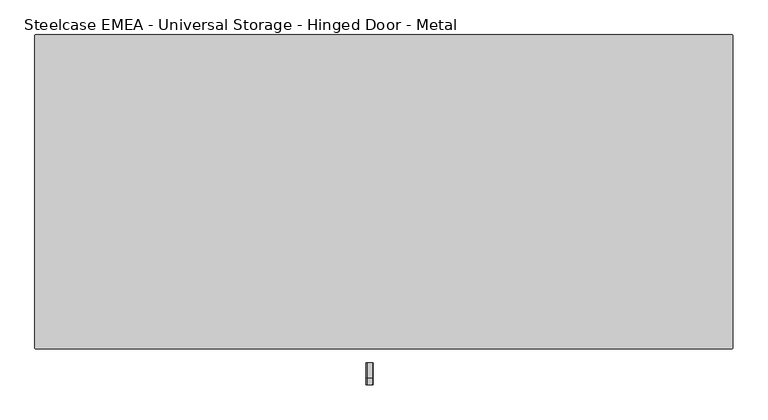
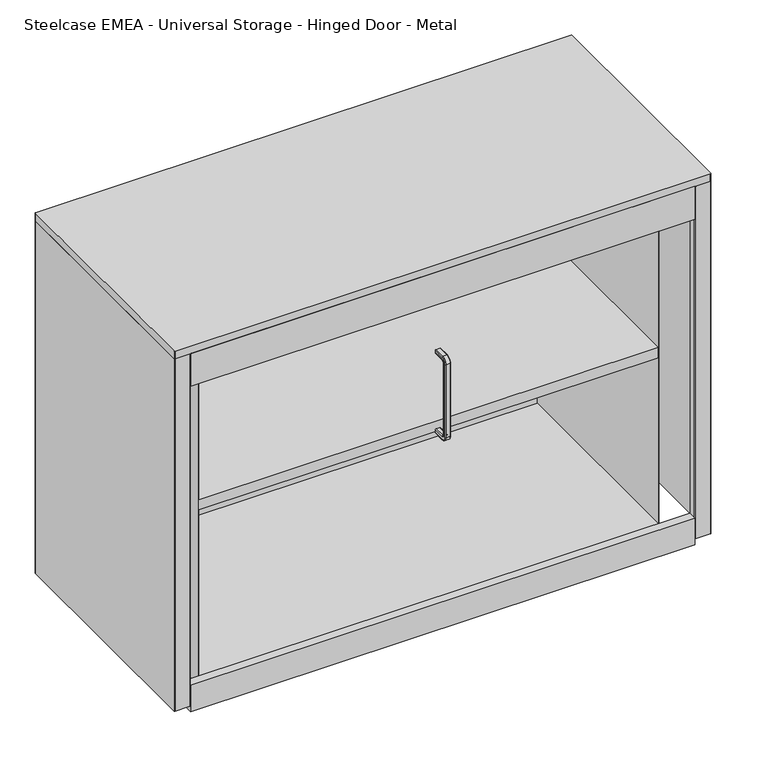
"""IFC4 building model written with IfcOpenShell, lengths in millimetres: furniture geometry, Steelcase EMEA - Universal Storage - Hinged Door - Metal."""

from ifc_helpers import new_model, si_unit, point, frame, frame_2d, origin, place, context, project, spatial, polyline, circle_curve, ellipse_curve, trimmed, segment, composite_curve, outline, extrude, source, transform, mapped, element, save
from ifc_brep_helpers import plane_surface, cylinder_surface, revolved_surface, advanced_brep


def steelcase_emea_universal_storage_hinged_door_metal_c9ae0ad8(model_context):
    return source(origin(), model_context, "Body", "SolidModel", [
        advanced_brep(
        [(-17.2414116, -245.0, 570.95), (-23.1585884, -245.0, 570.95), (-25.1585884, -245.0, 572.95), (-25.1585884, -245.0, 577.9674524), (-24.1587407, -245.0, 578.95), (-16.2412593, -245.0, 578.95), (-15.2414116, -245.0, 577.9674524), (-15.2414116, -245.0, 572.95), (-17.2414116, -267.0318401, 570.95), (-23.1585884, -267.0318401, 570.95), (-25.1585884, -267.0318401, 577.9674524), (-24.1587407, -267.0318401, 578.95), (-16.2412593, -267.0318401, 578.95), (-15.2414116, -267.0318401, 577.9674524), (-23.1585884, -269.0318401, 568.95), (-17.2414116, -269.0318401, 568.95), (-24.1587407, -277.0318401, 568.95), (-25.1585884, -276.0492925, 568.95), (-16.2412593, -277.0318401, 568.95), (-15.2414116, -276.0492925, 568.95), (-17.2414116, -269.0318401, 424.8885036), (-23.1585884, -269.0318401, 424.8885036), (-25.1585884, -276.0492925, 424.8885036), (-24.1587407, -277.0318401, 424.8885036), (-16.2412593, -277.0318401, 424.8885036), (-15.2414116, -276.0492925, 424.8885036), (-23.1585884, -267.0318401, 422.8885036), (-17.2414116, -267.0318401, 422.8885036), (-24.1587407, -267.0318401, 414.8885036), (-25.1585884, -267.0318401, 415.8710512), (-16.2412593, -267.0318401, 414.8885036), (-15.2414116, -267.0318401, 415.8710512), (-17.2414116, -245.0, 422.8885036), (-15.2414116, -245.0, 420.8885036), (-15.2414116, -245.0, 415.8710512), (-16.2412593, -245.0, 414.8885036), (-24.1587407, -245.0, 414.8885036), (-25.1585884, -245.0, 415.8710512), (-25.1585884, -245.0, 420.8885036), (-23.1585884, -245.0, 422.8885036), (-25.1585884, -267.0318401, 572.95), (-25.1585884, -271.0318401, 568.95), (-25.1585884, -271.0318401, 424.8885036), (-25.1585884, -267.0318401, 420.8885036), (-15.2414116, -267.0318401, 420.8885036), (-15.2414116, -271.0318401, 424.8885036), (-15.2414116, -271.0318401, 568.95), (-15.2414116, -267.0318401, 572.95)],
        [
            (0, 1),
            (1, 2, circle_curve(frame((-23.1585884, -245.0, 572.95), z_axis=(0.0, 1.0, 0.0), x_axis=(-1.0, 0.0, 0.0)), 2.0)),
            (2, 3),
            (3, 4, circle_curve(frame((-24.1587407, -245.0, 577.95), z_axis=(0.0, 1.0, 0.0), x_axis=(-1.0, 0.0, 0.0)), 1.0)),
            (4, 5),
            (5, 6, circle_curve(frame((-16.2412593, -245.0, 577.95), z_axis=(0.0, 1.0, 0.0), x_axis=(-1.0, 0.0, 0.0)), 1.0)),
            (6, 7),
            (7, 0, circle_curve(frame((-17.2414116, -245.0, 572.95), z_axis=(0.0, 1.0, 0.0), x_axis=(-1.0, 0.0, 0.0)), 2.0)),
            (0, 8),
            (8, 9),
            (9, 1),
            (3, 10),
            (10, 11, circle_curve(frame((-24.1587407, -267.0318401, 577.95), z_axis=(0.0, 1.0, 0.0), x_axis=(-1.0, 0.0, 0.0)), 1.0)),
            (11, 4),
            (11, 12),
            (12, 5),
            (12, 13, circle_curve(frame((-16.2412593, -267.0318401, 577.95), z_axis=(0.0, 1.0, 0.0), x_axis=(-1.0, 0.0, 0.0)), 1.0)),
            (13, 6),
            (14, 9, circle_curve(frame((-23.1585884, -267.0318401, 568.95), z_axis=(-1.0, 0.0, 0.0), x_axis=(0.0, 0.0, 1.0)), 2.0)),
            (8, 15, circle_curve(frame((-17.2414116, -267.0318401, 568.95), z_axis=(1.0, 0.0, 0.0), x_axis=(0.0, 0.0, 1.0)), 2.0)),
            (15, 14),
            (16, 11, circle_curve(frame((-24.1587407, -267.0318401, 568.95), z_axis=(-1.0, 0.0, 0.0), x_axis=(0.0, 0.0, 1.0)), 10.0)),
            (10, 17, circle_curve(frame((-25.1585884, -267.0318401, 568.95), z_axis=(1.0, 0.0, 0.0), x_axis=(0.0, 0.0, 1.0)), 9.0174524)),
            (17, 16, circle_curve(frame((-24.1587407, -276.0318401, 568.95), z_axis=(0.0, 0.0, 1.0), x_axis=(-1.0, 0.0, 0.0)), 1.0)),
            (18, 12, circle_curve(frame((-16.2412593, -267.0318401, 568.95), z_axis=(-1.0, 0.0, 0.0), x_axis=(0.0, 0.0, 1.0)), 10.0)),
            (16, 18),
            (19, 13, circle_curve(frame((-15.2414116, -267.0318401, 568.95), z_axis=(-1.0, 0.0, 0.0), x_axis=(0.0, 0.0, 1.0)), 9.0174524)),
            (18, 19, circle_curve(frame((-16.2412593, -276.0318401, 568.95), z_axis=(0.0, 0.0, 1.0), x_axis=(-1.0, 0.0, 0.0)), 1.0)),
            (15, 20),
            (20, 21),
            (21, 14),
            (17, 22),
            (22, 23, circle_curve(frame((-24.1587407, -276.0318401, 424.8885036), z_axis=(0.0, 0.0, 1.0), x_axis=(-1.0, 0.0, 0.0)), 1.0)),
            (23, 16),
            (23, 24),
            (24, 18),
            (24, 25, circle_curve(frame((-16.2412593, -276.0318401, 424.8885036), z_axis=(0.0, 0.0, 1.0), x_axis=(-1.0, 0.0, 0.0)), 1.0)),
            (25, 19),
            (26, 21, circle_curve(frame((-23.1585884, -267.0318401, 424.8885036), z_axis=(-1.0, 0.0, 0.0), x_axis=(0.0, -1.0, 0.0)), 2.0)),
            (20, 27, circle_curve(frame((-17.2414116, -267.0318401, 424.8885036), z_axis=(1.0, 0.0, 0.0), x_axis=(0.0, -1.0, 0.0)), 2.0)),
            (27, 26),
            (28, 23, circle_curve(frame((-24.1587407, -267.0318401, 424.8885036), z_axis=(-1.0, 0.0, 0.0), x_axis=(0.0, -1.0, 0.0)), 10.0)),
            (22, 29, circle_curve(frame((-25.1585884, -267.0318401, 424.8885036), z_axis=(1.0, 0.0, 0.0), x_axis=(0.0, -1.0, 0.0)), 9.0174524)),
            (29, 28, circle_curve(frame((-24.1587407, -267.0318401, 415.8885036), z_axis=(0.0, -1.0, 0.0), x_axis=(-1.0, 0.0, 0.0)), 1.0)),
            (30, 24, circle_curve(frame((-16.2412593, -267.0318401, 424.8885036), z_axis=(-1.0, 0.0, 0.0), x_axis=(0.0, -1.0, 0.0)), 10.0)),
            (28, 30),
            (31, 25, circle_curve(frame((-15.2414116, -267.0318401, 424.8885036), z_axis=(-1.0, 0.0, 0.0), x_axis=(0.0, -1.0, 0.0)), 9.0174524)),
            (30, 31, circle_curve(frame((-16.2412593, -267.0318401, 415.8885036), z_axis=(0.0, -1.0, 0.0), x_axis=(-1.0, 0.0, 0.0)), 1.0)),
            (32, 33, circle_curve(frame((-17.2414116, -245.0, 420.8885036), z_axis=(0.0, 1.0, 0.0), x_axis=(-1.0, 0.0, 0.0)), 2.0)),
            (33, 34),
            (34, 35, circle_curve(frame((-16.2412593, -245.0, 415.8885036), z_axis=(0.0, 1.0, 0.0), x_axis=(-1.0, 0.0, 0.0)), 1.0)),
            (35, 36),
            (36, 37, circle_curve(frame((-24.1587407, -245.0, 415.8885036), z_axis=(0.0, 1.0, 0.0), x_axis=(-1.0, 0.0, 0.0)), 1.0)),
            (37, 38),
            (38, 39, circle_curve(frame((-23.1585884, -245.0, 420.8885036), z_axis=(0.0, 1.0, 0.0), x_axis=(-1.0, 0.0, 0.0)), 2.0)),
            (39, 32),
            (27, 32),
            (39, 26),
            (29, 37),
            (36, 28),
            (35, 30),
            (34, 31),
            (9, 40, circle_curve(frame((-23.1585884, -267.0318401, 572.95), z_axis=(0.0, 1.0, 0.0), x_axis=(-1.0, 0.0, 0.0)), 2.0)),
            (40, 2),
            (40, 41, circle_curve(frame((-25.1585884, -267.0318401, 568.95), z_axis=(1.0, 0.0, 0.0), x_axis=(0.0, 0.0, 1.0)), 4.0)),
            (41, 42),
            (42, 43, circle_curve(frame((-25.1585884, -267.0318401, 424.8885036), z_axis=(1.0, 0.0, 0.0), x_axis=(0.0, -1.0, 0.0)), 4.0)),
            (43, 38),
            (33, 44),
            (44, 45, circle_curve(frame((-15.2414116, -267.0318401, 424.8885036), z_axis=(-1.0, 0.0, 0.0), x_axis=(0.0, -1.0, 0.0)), 4.0)),
            (45, 46),
            (46, 47, circle_curve(frame((-15.2414116, -267.0318401, 568.95), z_axis=(-1.0, 0.0, 0.0), x_axis=(0.0, 0.0, 1.0)), 4.0)),
            (47, 7),
            (47, 8, circle_curve(frame((-17.2414116, -267.0318401, 572.95), z_axis=(0.0, 1.0, 0.0), x_axis=(-1.0, 0.0, 0.0)), 2.0)),
            (14, 41, circle_curve(frame((-23.1585884, -271.0318401, 568.95), z_axis=(0.0, 0.0, 1.0), x_axis=(-1.0, 0.0, 0.0)), 2.0)),
            (46, 15, circle_curve(frame((-17.2414116, -271.0318401, 568.95), z_axis=(0.0, 0.0, 1.0), x_axis=(-1.0, 0.0, 0.0)), 2.0)),
            (21, 42, circle_curve(frame((-23.1585884, -271.0318401, 424.8885036), z_axis=(0.0, 0.0, 1.0), x_axis=(-1.0, 0.0, 0.0)), 2.0)),
            (45, 20, circle_curve(frame((-17.2414116, -271.0318401, 424.8885036), z_axis=(0.0, 0.0, 1.0), x_axis=(-1.0, 0.0, 0.0)), 2.0)),
            (26, 43, circle_curve(frame((-23.1585884, -267.0318401, 420.8885036), z_axis=(0.0, -1.0, 0.0), x_axis=(-1.0, 0.0, 0.0)), 2.0)),
            (44, 27, circle_curve(frame((-17.2414116, -267.0318401, 420.8885036), z_axis=(0.0, -1.0, 0.0), x_axis=(-1.0, 0.0, 0.0)), 2.0)),
        ],
        [
            plane_surface(frame((-20.2, -245.0, 570.95), z_axis=(0.0, 1.0, 0.0), x_axis=(-1.0, 0.0, 0.0))),
            plane_surface(frame((-17.2414116, -245.0, 570.95), z_axis=(0.0, 0.0, -1.0), x_axis=(0.0, -1.0, 0.0))),
            cylinder_surface(frame((-24.1587407, -245.0, 577.95), z_axis=(0.0, 1.0, 0.0), x_axis=(-1.0, 0.0, 0.0)), 1.0),
            plane_surface(frame((-24.1587407, -245.0, 578.95), z_axis=(0.0, 0.0, 1.0), x_axis=(0.0, -1.0, 0.0))),
            cylinder_surface(frame((-16.2412593, -245.0, 577.95), z_axis=(0.0, 1.0, 0.0), x_axis=(-1.0, 0.0, 0.0)), 1.0),
            revolved_surface(polyline([(-17.2414116, -267.0318401, 570.95), (-23.1585884, -267.0318401, 570.95)]), (-20.2, -267.0318401, 568.95), (1.0, 0.0, 0.0)),
            revolved_surface(trimmed(ellipse_curve(frame((-24.1587407, -267.0318401, 577.95), z_axis=(0.0, 1.0, 0.0), x_axis=(-1.0, 0.0, 0.0)), 1.0, 1.0), [point((-25.1585884, -267.0318401, 577.9674524))], [point((-24.1587407, -267.0318401, 578.95))], True, "CARTESIAN"), (-20.2, -267.0318401, 568.95), (1.0, 0.0, 0.0)),
            cylinder_surface(frame((-20.2, -267.0318401, 568.95), z_axis=(1.0, 0.0, 0.0), x_axis=(0.0, 0.0, 1.0)), 10.0),
            revolved_surface(trimmed(ellipse_curve(frame((-16.2412593, -267.0318401, 577.95), z_axis=(0.0, 1.0, 0.0), x_axis=(-1.0, 0.0, 0.0)), 1.0, 1.0), [point((-16.2412593, -267.0318401, 578.95))], [point((-15.2414116, -267.0318401, 577.9674524))], True, "CARTESIAN"), (-20.2, -267.0318401, 568.95), (1.0, 0.0, 0.0)),
            plane_surface(frame((-17.2414116, -269.0318401, 568.95), z_axis=(0.0, 1.0, 0.0), x_axis=(0.0, 0.0, -1.0))),
            cylinder_surface(frame((-24.1587407, -276.0318401, 568.95), z_axis=(0.0, 0.0, 1.0), x_axis=(-1.0, 0.0, 0.0)), 1.0),
            plane_surface(frame((-24.1587407, -277.0318401, 568.95), z_axis=(0.0, -1.0, 0.0), x_axis=(0.0, 0.0, -1.0))),
            cylinder_surface(frame((-16.2412593, -276.0318401, 568.95), z_axis=(0.0, 0.0, 1.0), x_axis=(-1.0, 0.0, 0.0)), 1.0),
            revolved_surface(polyline([(-17.2414116, -269.0318401, 424.8885036), (-23.1585884, -269.0318401, 424.8885036)]), (-20.2, -267.0318401, 424.8885036), (1.0, 0.0, 0.0)),
            revolved_surface(trimmed(ellipse_curve(frame((-24.1587407, -276.0318401, 424.8885036), z_axis=(0.0, 0.0, 1.0), x_axis=(-1.0, 0.0, 0.0)), 1.0, 1.0), [point((-25.1585884, -276.0492925, 424.8885036))], [point((-24.1587407, -277.0318401, 424.8885036))], True, "CARTESIAN"), (-20.2, -267.0318401, 424.8885036), (1.0, 0.0, 0.0)),
            cylinder_surface(frame((-20.2, -267.0318401, 424.8885036), z_axis=(1.0, 0.0, 0.0), x_axis=(0.0, -1.0, 0.0)), 10.0),
            revolved_surface(trimmed(ellipse_curve(frame((-16.2412593, -276.0318401, 424.8885036), z_axis=(0.0, 0.0, 1.0), x_axis=(-1.0, 0.0, 0.0)), 1.0, 1.0), [point((-16.2412593, -277.0318401, 424.8885036))], [point((-15.2414116, -276.0492925, 424.8885036))], True, "CARTESIAN"), (-20.2, -267.0318401, 424.8885036), (1.0, 0.0, 0.0)),
            plane_surface(frame((-20.2, -245.0, 422.8885036), z_axis=(0.0, 1.0, 0.0), x_axis=(-1.0, 0.0, 0.0))),
            plane_surface(frame((-17.2414116, -267.0318401, 422.8885036), z_axis=(0.0, 0.0, 1.0), x_axis=(0.0, 1.0, 0.0))),
            cylinder_surface(frame((-24.1587407, -267.0318401, 415.8885036), z_axis=(0.0, -1.0, 0.0), x_axis=(-1.0, 0.0, 0.0)), 1.0),
            plane_surface(frame((-24.1587407, -267.0318401, 414.8885036), z_axis=(0.0, 0.0, -1.0), x_axis=(0.0, 1.0, 0.0))),
            cylinder_surface(frame((-16.2412593, -267.0318401, 415.8885036), z_axis=(0.0, -1.0, 0.0), x_axis=(-1.0, 0.0, 0.0)), 1.0),
            cylinder_surface(frame((-23.1585884, -245.0, 572.95), z_axis=(0.0, 1.0, 0.0), x_axis=(-1.0, 0.0, 0.0)), 2.0),
            plane_surface(frame((-25.1585884, -245.0, 572.95), z_axis=(-1.0, 0.0, 0.0), x_axis=(0.0, -1.0, 0.0))),
            plane_surface(frame((-15.2414116, -245.0, 577.9674524), z_axis=(1.0, 0.0, 0.0), x_axis=(0.0, -1.0, 0.0))),
            cylinder_surface(frame((-17.2414116, -245.0, 572.95), z_axis=(0.0, 1.0, 0.0), x_axis=(-1.0, 0.0, 0.0)), 2.0),
            revolved_surface(trimmed(ellipse_curve(frame((-23.1585884, -267.0318401, 572.95), z_axis=(0.0, 1.0, 0.0), x_axis=(-1.0, 0.0, 0.0)), 2.0, 2.0), [point((-23.1585884, -267.0318401, 570.95))], [point((-25.1585884, -267.0318401, 572.95))], True, "CARTESIAN"), (-20.2, -267.0318401, 568.95), (1.0, 0.0, 0.0)),
            revolved_surface(trimmed(ellipse_curve(frame((-17.2414116, -267.0318401, 572.95), z_axis=(0.0, 1.0, 0.0), x_axis=(-1.0, 0.0, 0.0)), 2.0, 2.0), [point((-15.2414116, -267.0318401, 572.95))], [point((-17.2414116, -267.0318401, 570.95))], True, "CARTESIAN"), (-20.2, -267.0318401, 568.95), (1.0, 0.0, 0.0)),
            cylinder_surface(frame((-23.1585884, -271.0318401, 568.95), z_axis=(0.0, 0.0, 1.0), x_axis=(-1.0, 0.0, 0.0)), 2.0),
            cylinder_surface(frame((-17.2414116, -271.0318401, 568.95), z_axis=(0.0, 0.0, 1.0), x_axis=(-1.0, 0.0, 0.0)), 2.0),
            revolved_surface(trimmed(ellipse_curve(frame((-23.1585884, -271.0318401, 424.8885036), z_axis=(0.0, 0.0, 1.0), x_axis=(-1.0, 0.0, 0.0)), 2.0, 2.0), [point((-23.1585884, -269.0318401, 424.8885036))], [point((-25.1585884, -271.0318401, 424.8885036))], True, "CARTESIAN"), (-20.2, -267.0318401, 424.8885036), (1.0, 0.0, 0.0)),
            revolved_surface(trimmed(ellipse_curve(frame((-17.2414116, -271.0318401, 424.8885036), z_axis=(0.0, 0.0, 1.0), x_axis=(-1.0, 0.0, 0.0)), 2.0, 2.0), [point((-15.2414116, -271.0318401, 424.8885036))], [point((-17.2414116, -269.0318401, 424.8885036))], True, "CARTESIAN"), (-20.2, -267.0318401, 424.8885036), (1.0, 0.0, 0.0)),
            cylinder_surface(frame((-23.1585884, -267.0318401, 420.8885036), z_axis=(0.0, -1.0, 0.0), x_axis=(-1.0, 0.0, 0.0)), 2.0),
            cylinder_surface(frame((-17.2414116, -267.0318401, 420.8885036), z_axis=(0.0, -1.0, 0.0), x_axis=(-1.0, 0.0, 0.0)), 2.0),
        ],
        [
            (0, [[1, 2, 3, 4, 5, 6, 7, 8]]),
            (1, [[-1, 9, 10, 11]]),
            (2, [[-4, 12, 13, 14]]),
            (3, [[-5, -14, 15, 16]]),
            (4, [[-6, -16, 17, 18]]),
            (5, [[19, -10, 20, 21]]),
            (6, [[22, -13, 23, 24]]),
            (7, [[25, -15, -22, 26]]),
            (8, [[27, -17, -25, 28]]),
            (9, [[-21, 29, 30, 31]]),
            (10, [[-24, 32, 33, 34]]),
            (11, [[-26, -34, 35, 36]]),
            (12, [[-28, -36, 37, 38]]),
            (13, [[39, -30, 40, 41]]),
            (14, [[42, -33, 43, 44]]),
            (15, [[45, -35, -42, 46]]),
            (16, [[47, -37, -45, 48]]),
            (17, [[49, 50, 51, 52, 53, 54, 55, 56]]),
            (18, [[-41, 57, -56, 58]]),
            (19, [[-44, 59, -53, 60]]),
            (20, [[-46, -60, -52, 61]]),
            (21, [[-48, -61, -51, 62]]),
            (22, [[-2, -11, 63, 64]]),
            (23, [[-3, -64, 65, 66, 67, 68, -54, -59, -43, -32, -23, -12]]),
            (24, [[-7, -18, -27, -38, -47, -62, -50, 69, 70, 71, 72, 73]]),
            (25, [[-8, -73, 74, -9]]),
            (26, [[-65, -63, -19, 75]]),
            (27, [[-20, -74, -72, 76]]),
            (28, [[-75, -31, 77, -66]]),
            (29, [[-76, -71, 78, -29]]),
            (30, [[-67, -77, -39, 79]]),
            (31, [[-40, -78, -70, 80]]),
            (32, [[-79, -58, -55, -68]]),
            (33, [[-80, -69, -49, -57]]),
        ],
    ),
        extrude(outline(polyline([(428.05, -179.2), (-428.05, -179.2), (-428.05, 211.0), (428.05, 211.0), (428.05, -179.2)])), frame((0.0, 0.0, 365.0), z_axis=(0.0, 0.0, 1.0), x_axis=(1.0, 0.0, 0.0)), (0.0, 0.0, 1.0), 20.0),
        extrude(outline(polyline([(-189.2, 36.5), (-189.2, 24.0), (-209.2, 24.0), (-209.2, 39.0), (-206.7, 39.0), (-206.7, 26.5), (-191.7, 26.5), (-191.7, 39.0), (211.0, 39.0), (211.0, 36.5), (-189.2, 36.5)])), frame((-428.0, 0.0, 0.0), z_axis=(1.0, 0.0, 0.0), x_axis=(0.0, 1.0, 0.0)), (0.0, 0.0, 1.0), 856.0),
        extrude(outline(polyline([(470.0, -209.2), (470.0, -225.0), (-470.0, -225.0), (-470.0, -209.2), (470.0, -209.2)])), frame((0.0, 0.0, 650.95), z_axis=(0.0, 0.0, 1.0), x_axis=(1.0, 0.0, 0.0)), (0.0, 0.0, 1.0), 64.05),
        extrude(outline(polyline([(470.0, -209.2), (470.0, -225.0), (-470.0, -225.0), (-470.0, -209.2), (470.0, -209.2)])), frame((0.0, 0.0, 10.0), z_axis=(0.0, 0.0, 1.0), x_axis=(1.0, 0.0, 0.0)), (0.0, 0.0, 1.0), 52.0),
        extrude(outline(composite_curve([segment(polyline([(498.75, -225.0), (-498.75, -225.0)]), True, "CONTINUOUS"), segment(trimmed(circle_curve(frame_2d((-498.75, -223.75)), 1.25), [point((-498.75, -225.0))], [point((-500.0, -223.75))], False, "CARTESIAN"), True, "CONTINUOUS"), segment(polyline([(-500.0, -223.75), (-500.0, 223.75)]), True, "CONTINUOUS"), segment(trimmed(circle_curve(frame_2d((-498.75, 223.75)), 1.25), [point((-500.0, 223.75))], [point((-498.75, 225.0))], False, "CARTESIAN"), True, "CONTINUOUS"), segment(polyline([(-498.75, 225.0), (498.75, 225.0)]), True, "CONTINUOUS"), segment(trimmed(circle_curve(frame_2d((498.75, 223.75)), 1.25), [point((498.75, 225.0))], [point((500.0, 223.75))], False, "CARTESIAN"), True, "CONTINUOUS"), segment(polyline([(500.0, 223.75), (500.0, -223.75)]), True, "CONTINUOUS"), segment(trimmed(circle_curve(frame_2d((498.75, -223.75)), 1.25), [point((500.0, -223.75))], [point((498.75, -225.0))], False, "CARTESIAN"), True, "CONTINUOUS")], self_intersect=False)), frame((0.0, 0.0, 715.0), z_axis=(0.0, 0.0, 1.0), x_axis=(1.0, 0.0, 0.0)), (0.0, 0.0, 1.0), 15.0),
        extrude(outline(polyline([(-429.3, 211.0), (-462.7, 211.0), (-462.7, 211.8), (462.7, 211.8), (462.7, 211.0), (429.3, 211.0), (429.3, -179.2), (428.05, -179.2), (428.05, 211.0), (-428.05, 211.0), (-428.05, -179.2), (-429.3, -179.2), (-429.3, 211.0)])), frame((0.0, 0.0, 21.0), z_axis=(0.0, 0.0, 1.0), x_axis=(1.0, 0.0, 0.0)), (0.0, 0.0, 1.0), 694.0),
        extrude(outline(composite_curve([segment(trimmed(circle_curve(frame_2d((-462.25, 223.75)), 1.25), [point((-463.5, 223.75))], [point((-462.25, 225.0))], False, "CARTESIAN"), True, "CONTINUOUS"), segment(polyline([(-462.25, 225.0), (462.25, 225.0)]), True, "CONTINUOUS"), segment(trimmed(circle_curve(frame_2d((462.25, 223.75)), 1.25), [point((462.25, 225.0))], [point((463.5, 223.75))], False, "CARTESIAN"), True, "CONTINUOUS"), segment(polyline([(463.5, 223.75), (463.5, 211.0), (462.7, 211.0), (462.7, 224.2), (-462.7, 224.2), (-462.7, 211.0), (-463.5, 211.0), (-463.5, 223.75)]), True, "CONTINUOUS")], self_intersect=False)), frame((0.0, 0.0, 21.0), z_axis=(0.0, 0.0, 1.0), x_axis=(1.0, 0.0, 0.0)), (0.0, 0.0, 1.0), 694.0),
        extrude(outline(composite_curve([segment(trimmed(circle_curve(frame_2d((-471.25, -223.75)), 1.25), [point((-470.0, -223.75))], [point((-471.25, -225.0))], False, "CARTESIAN"), True, "CONTINUOUS"), segment(polyline([(-471.25, -225.0), (-498.75, -225.0)]), True, "CONTINUOUS"), segment(trimmed(circle_curve(frame_2d((-498.75, -223.75)), 1.25), [point((-498.75, -225.0))], [point((-500.0, -223.75))], False, "CARTESIAN"), True, "CONTINUOUS"), segment(polyline([(-500.0, -223.75), (-500.0, 223.75)]), True, "CONTINUOUS"), segment(trimmed(circle_curve(frame_2d((-498.75, 223.75)), 1.25), [point((-500.0, 223.75))], [point((-498.75, 225.0))], False, "CARTESIAN"), True, "CONTINUOUS"), segment(polyline([(-498.75, 225.0), (-464.75, 225.0)]), True, "CONTINUOUS"), segment(trimmed(circle_curve(frame_2d((-464.75, 223.75)), 1.25), [point((-464.75, 225.0))], [point((-463.5, 223.75))], False, "CARTESIAN"), True, "CONTINUOUS"), segment(polyline([(-463.5, 223.75), (-463.5, 210.45)]), True, "CONTINUOUS"), segment(trimmed(circle_curve(frame_2d((-464.75, 210.45)), 1.25), [point((-463.5, 210.45))], [point((-464.75, 209.2))], False, "CARTESIAN"), True, "CONTINUOUS"), segment(polyline([(-464.75, 209.2), (-469.5, 209.2), (-469.5, 210.0), (-464.3, 210.0), (-464.3, 224.2), (-499.2, 224.2), (-499.2, -224.2), (-470.8, -224.2), (-470.8, -211.0), (-470.0, -211.0), (-470.0, -223.75)]), True, "CONTINUOUS")], self_intersect=False)), frame((0.0, 0.0, 21.0), z_axis=(0.0, 0.0, 1.0), x_axis=(1.0, 0.0, 0.0)), (0.0, 0.0, 1.0), 694.0),
        extrude(outline(composite_curve([segment(polyline([(470.0, -223.75), (470.0, -211.0), (470.8, -211.0), (470.8, -224.2), (499.2, -224.2), (499.2, 224.2), (464.3, 224.2), (464.3, 210.0), (469.5, 210.0), (469.5, 209.2), (464.75, 209.2)]), True, "CONTINUOUS"), segment(trimmed(circle_curve(frame_2d((464.75, 210.45)), 1.25), [point((464.75, 209.2))], [point((463.5, 210.45))], False, "CARTESIAN"), True, "CONTINUOUS"), segment(polyline([(463.5, 210.45), (463.5, 223.75)]), True, "CONTINUOUS"), segment(trimmed(circle_curve(frame_2d((464.75, 223.75)), 1.25), [point((463.5, 223.75))], [point((464.75, 225.0))], False, "CARTESIAN"), True, "CONTINUOUS"), segment(polyline([(464.75, 225.0), (498.75, 225.0)]), True, "CONTINUOUS"), segment(trimmed(circle_curve(frame_2d((498.75, 223.75)), 1.25), [point((498.75, 225.0))], [point((500.0, 223.75))], False, "CARTESIAN"), True, "CONTINUOUS"), segment(polyline([(500.0, 223.75), (500.0, -223.75)]), True, "CONTINUOUS"), segment(trimmed(circle_curve(frame_2d((498.75, -223.75)), 1.25), [point((500.0, -223.75))], [point((498.75, -225.0))], False, "CARTESIAN"), True, "CONTINUOUS"), segment(polyline([(498.75, -225.0), (471.25, -225.0)]), True, "CONTINUOUS"), segment(trimmed(circle_curve(frame_2d((471.25, -223.75)), 1.25), [point((471.25, -225.0))], [point((470.0, -223.75))], False, "CARTESIAN"), True, "CONTINUOUS")], self_intersect=False)), frame((0.0, 0.0, 21.0), z_axis=(0.0, 0.0, 1.0), x_axis=(1.0, 0.0, 0.0)), (0.0, 0.0, 1.0), 694.0),
    ])


if __name__ == "__main__":
    model = new_model("IFC4")
    model_context = context("Model", 3, world=origin())
    ifc_project = project(units=[si_unit("LENGTHUNIT", "METRE", prefix="MILLI")], contexts=[model_context])
    site = spatial("IfcSite", under=ifc_project)
    building = spatial("IfcBuilding", under=site)
    placement = place(None, origin())
    steelcase_emea_universal_storage_hinged_door_metal_shape = steelcase_emea_universal_storage_hinged_door_metal_c9ae0ad8(model_context)
    element("IfcFurniture", 1, ObjectType="Steelcase EMEA - Universal Storage - Hinged Door - Metal", at=placement, inside=building, context=model_context, shape_type="MappedRepresentation", body=[
        mapped(steelcase_emea_universal_storage_hinged_door_metal_shape, transform((0.0, 0.0, 0.0), x_axis=(1.0, 0.0, 0.0), y_axis=(0.0, 1.0, 0.0), z_axis=(0.0, 0.0, 1.0))),
    ])
    save(model, "model.ifc")
